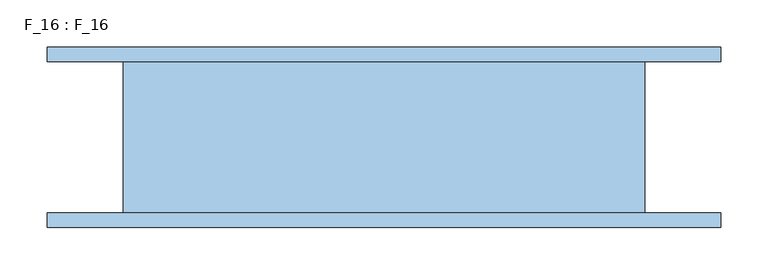
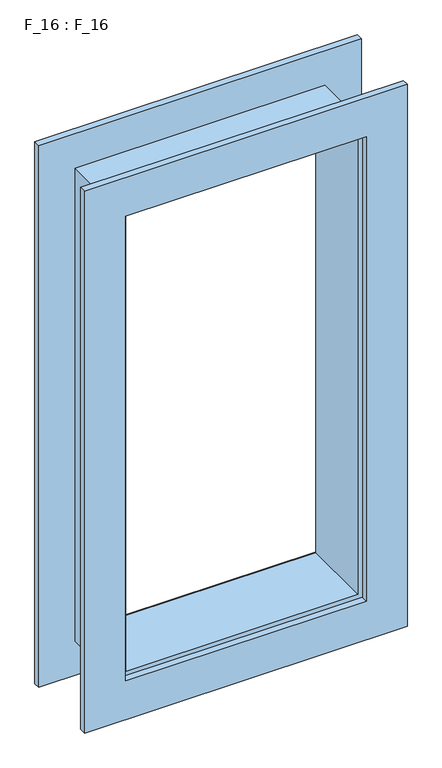
"""IFC4 building model written with IfcOpenShell, lengths in millimetres: window geometry, F_16 : F_16."""

from ifc_helpers import new_model, si_unit, origin, place, context, project, spatial, faceted_brep, source, transform, mapped, element, save


def f_16_f_16_6764b40b(model_context):
    return source(origin(), model_context, "Body", "Brep", [
        faceted_brep([(275.0, 80.0, 1630.0), (275.0, -80.0, 1630.0), (275.0, -80.0, 530.0), (275.0, 80.0, 530.0), (355.0, -80.0, 450.0), (-355.0, -80.0, 450.0), (-355.0, -80.0, 1710.0), (355.0, -80.0, 1710.0), (-275.0, -80.0, 1630.0), (-275.0, -80.0, 530.0), (-275.0, 80.0, 530.0), (355.0, 80.0, 1710.0), (-355.0, 80.0, 1710.0), (-355.0, 80.0, 450.0), (355.0, 80.0, 450.0), (-275.0, 80.0, 1630.0), (355.0, 95.0, 1710.0), (355.0, 95.0, 450.0), (-355.0, 95.0, 450.0), (-355.0, 95.0, 1710.0), (265.0, 95.0, 1620.0), (-265.0, 95.0, 1620.0), (-265.0, 95.0, 540.0), (265.0, 95.0, 540.0), (265.0, 80.0, 1620.0), (265.0, 80.0, 540.0), (-265.0, 80.0, 540.0), (-265.0, 80.0, 1620.0), (255.0, 80.0, 1610.0), (-255.0, 80.0, 1610.0), (-255.0, 80.0, 550.0), (255.0, 80.0, 550.0), (255.0, -80.0, 1610.0), (255.0, -80.0, 550.0), (-255.0, -80.0, 550.0), (265.0, -80.0, 1620.0), (-265.0, -80.0, 1620.0), (-265.0, -80.0, 540.0), (265.0, -80.0, 540.0), (-255.0, -80.0, 1610.0), (265.0, -95.0, 1620.0), (265.0, -95.0, 540.0), (-265.0, -95.0, 540.0), (355.0, -95.0, 1710.0), (-355.0, -95.0, 1710.0), (-355.0, -95.0, 450.0), (355.0, -95.0, 450.0), (-265.0, -95.0, 1620.0)], [[[0, 1, 2, 3]], [[4, 5, 6, 7], [1, 8, 9, 2]], [[3, 2, 9, 10]], [[11, 12, 13, 14], [3, 10, 15, 0]], [[16, 11, 14, 17]], [[17, 14, 13, 18]], [[17, 18, 19, 16], [20, 21, 22, 23]], [[24, 20, 23, 25]], [[25, 23, 22, 26]], [[25, 26, 27, 24], [28, 29, 30, 31]], [[32, 28, 31, 33]], [[33, 31, 30, 34]], [[35, 36, 37, 38], [33, 34, 39, 32]], [[40, 35, 38, 41]], [[41, 38, 37, 42]], [[43, 44, 45, 46], [41, 42, 47, 40]], [[7, 43, 46, 4]], [[4, 46, 45, 5]], [[10, 9, 8, 15]], [[18, 13, 12, 19]], [[26, 22, 21, 27]], [[34, 30, 29, 39]], [[42, 37, 36, 47]], [[5, 45, 44, 6]], [[15, 8, 1, 0]], [[19, 12, 11, 16]], [[27, 21, 20, 24]], [[39, 29, 28, 32]], [[47, 36, 35, 40]], [[6, 44, 43, 7]]]),
    ])


if __name__ == "__main__":
    model = new_model("IFC4")
    model_context = context("Model", 3, world=origin())
    ifc_project = project(units=[si_unit("LENGTHUNIT", "METRE", prefix="MILLI")], contexts=[model_context])
    site = spatial("IfcSite", under=ifc_project)
    building = spatial("IfcBuilding", under=site)
    placement = place(None, origin())
    f_16_f_16_shape = f_16_f_16_6764b40b(model_context)
    element("IfcWindow", 1, ObjectType="F_16 : F_16", at=placement, inside=building, context=model_context, shape_type="MappedRepresentation", body=[
        mapped(f_16_f_16_shape, transform((0.0, 0.0, 0.0), x_axis=(1.0, 0.0, 0.0), y_axis=(0.0, 1.0, 0.0), z_axis=(0.0, 0.0, 1.0))),
    ])
    save(model, "model.ifc")
